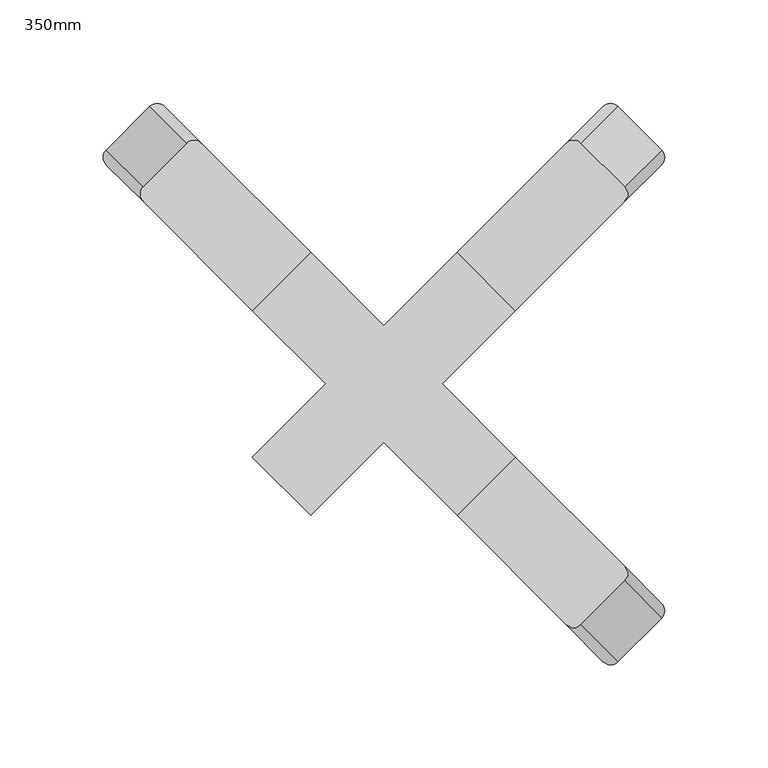
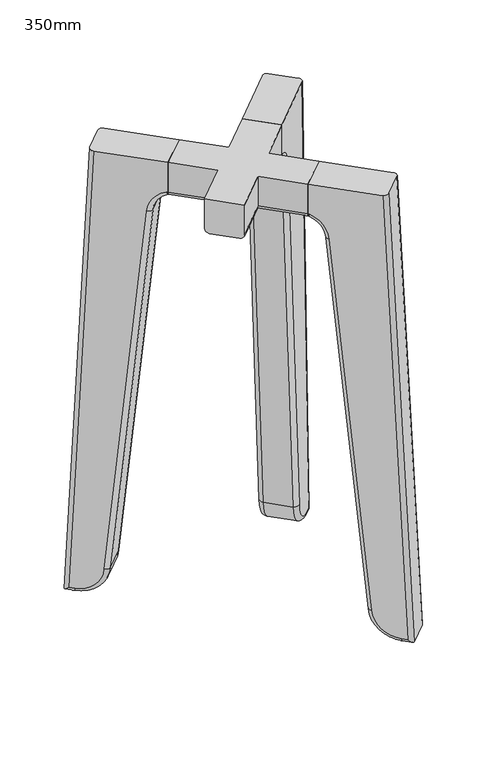
"""IFC4 building model written with IfcOpenShell, lengths in millimetres: furniture geometry, 350mm."""

from ifc_helpers import new_model, si_unit, point, frame, origin, place, context, project, spatial, polyline, circle_curve, ellipse_curve, trimmed, source, transform, mapped, element, save
from ifc_brep_helpers import plane_surface, cylinder_surface, revolved_surface, advanced_brep


def furniture_350mm_27f46fd8(model_context):
    return source(origin(), model_context, "Body", "AdvancedBrep", [
        advanced_brep(
        [(113.4241876, 134.637391, 0.0), (106.1780398, 134.462311, 5.0), (88.3992865, 116.6835577, 525.0), (95.4744847, 116.6876882, 525.0), (134.637391, 113.4241876, 0.0), (116.6876882, 95.4744847, 525.0), (134.462311, 106.1780398, 5.0), (116.6835577, 88.3992865, 525.0), (105.4357149, 126.6489183, 0.0), (101.900181, 130.1844522, 5.0), (126.6489183, 105.4357149, 0.0), (130.1844522, 101.900181, 5.0), (80.7496123, 101.9628157, 32.5114904), (80.7406645, 109.0249357, 32.8669918), (101.9628157, 80.7496123, 32.5114904), (109.0249357, 80.7406645, 32.8669918), (50.7323466, 71.9455501, 463.0819947), (50.715289, 78.9995602, 463.5725552), (71.9455501, 50.7323466, 463.0819947), (78.9995602, 50.715289, 463.5725552), (39.1374255, 60.3506289, 484.9318625), (36.8111154, 65.0953866, 489.6303256), (60.3506289, 39.1374255, 484.9318625), (65.0953866, 36.8111154, 489.6303256), (39.0050506, 60.2182541, 485.0), (35.4695167, 63.753788, 490.3208889), (60.2182541, 39.0050506, 485.0), (63.753788, 35.4695167, 490.3208889), (35.4695167, 63.753788, 525.0), (63.753788, 35.4695167, 525.0)],
        [
            (0, 1, ellipse_curve(frame((109.7135737, 130.9267771, 5.0), z_axis=(0.48777673870193794, 0.48777673870416705, 0.723980459929982), x_axis=(-0.5119314926618754, -0.5119314926642161, 0.689820479283974)), 7.2482626, 5.0)),
            (1, 2),
            (2, 3, ellipse_curve(frame((91.9348204, 113.1480238, 525.0), z_axis=(0.0, 0.0, -1.0), x_axis=(-0.7071067811849228, -0.7071067811881723, 0.0)), 5.0058413, 5.0)),
            (3, 0),
            (4, 0),
            (3, 5),
            (5, 4),
            (6, 4, ellipse_curve(frame((130.9267771, 109.7135737, 5.0), z_axis=(0.48777673870193794, 0.48777673870416705, 0.723980459929982), x_axis=(-0.5119314926618754, -0.5119314926642161, 0.689820479283974)), 7.2482626, 5.0)),
            (5, 7, ellipse_curve(frame((113.1480238, 91.9348204, 525.0), z_axis=(0.0, 0.0, -1.0), x_axis=(-0.7071067811849228, -0.7071067811881723, 0.0)), 5.0058413, 5.0)),
            (7, 6),
            (0, 8),
            (8, 9, circle_curve(frame((105.4357149, 126.6489183, 5.0), z_axis=(0.7071067811849314, 0.7071067811881636, 3.4342632348790227e-12), x_axis=(-2.4282659216723354e-12, -2.428515721852876e-12, 1.0)), 5.0)),
            (9, 1),
            (4, 10),
            (10, 8),
            (6, 11),
            (11, 10, circle_curve(frame((126.6489183, 105.4357149, 5.0), z_axis=(0.7071067811849314, 0.7071067811881636, 3.4342632348790227e-12), x_axis=(-2.4282659216723354e-12, -2.428515721852876e-12, 1.0)), 5.0)),
            (8, 12, circle_curve(frame((105.4357149, 126.6489183, 35.0), z_axis=(-0.7071067811881637, 0.7071067811849315, 0.0), x_axis=(0.0, 0.0, -1.0)), 35.0)),
            (12, 13, circle_curve(frame((84.2761984, 105.4894018, 32.8669918), z_axis=(0.05027548557641946, 0.05027548557664865, -0.9974691730074104), x_axis=(0.7053172162564657, 0.7053172162596895, 0.07110027355722737)), 5.0)),
            (13, 9, circle_curve(frame((101.900181, 130.1844522, 35.0), z_axis=(0.7071067811881637, -0.7071067811849315, 0.0), x_axis=(0.0, 0.0, -1.0)), 30.0)),
            (10, 14, circle_curve(frame((126.6489183, 105.4357149, 35.0), z_axis=(-0.7071067811881637, 0.7071067811849315, 0.0), x_axis=(0.0, 0.0, -1.0)), 35.0)),
            (14, 12),
            (11, 15, circle_curve(frame((130.1844522, 101.900181, 35.0), z_axis=(-0.7071067811881637, 0.7071067811849315, 0.0), x_axis=(0.0, 0.0, -1.0)), 30.0)),
            (15, 14, circle_curve(frame((105.4894018, 84.2761984, 32.8669918), z_axis=(0.050275485576500425, 0.05027548557672962, -0.9974691730074023), x_axis=(0.7053172162564599, 0.7053172162596838, 0.07110027355734187)), 5.0)),
            (12, 16),
            (16, 17, circle_curve(frame((54.2508229, 75.4640263, 463.5725552), z_axis=(0.0693757329310603, 0.06937573293137685, -0.9951753691488312), x_axis=(0.7036952519933561, 0.7036952519965726, 0.09811210241090307)), 5.0)),
            (17, 13),
            (14, 18),
            (18, 16),
            (15, 19),
            (19, 18, circle_curve(frame((75.4640263, 54.2508229, 463.5725552), z_axis=(0.0693757329310603, 0.06937573293137685, -0.9951753691488312), x_axis=(0.7036952519933561, 0.7036952519965726, 0.09811210241090307)), 5.0)),
            (16, 20, circle_curve(frame((33.0913064, 54.3045098, 461.439547), z_axis=(0.7071067811881637, -0.7071067811849315, 0.0), x_axis=(0.7053172162564992, 0.7053172162597233, 0.07110027355655939)), 25.0)),
            (20, 21, circle_curve(frame((40.3466493, 61.5598527, 489.6303256), z_axis=(0.664463024386977, 0.6644630243900136, -0.3420201433263659), x_axis=(0.2418447626479156, 0.24184476264902072, 0.9396926207856547)), 5.0)),
            (21, 17, circle_curve(frame((29.5557725, 57.8400437, 461.439547), z_axis=(-0.7071067811881637, 0.7071067811849315, 0.0), x_axis=(0.7053172162564992, 0.7053172162597233, 0.07110027355655939)), 30.0)),
            (18, 22, circle_curve(frame((54.3045098, 33.0913064, 461.439547), z_axis=(0.7071067811881637, -0.7071067811849315, 0.0), x_axis=(0.7053172162564992, 0.7053172162597233, 0.07110027355655939)), 25.0)),
            (22, 20),
            (19, 23, circle_curve(frame((57.8400437, 29.5557725, 461.439547), z_axis=(0.7071067811881637, -0.7071067811849315, 0.0), x_axis=(0.7053172162564992, 0.7053172162597233, 0.07110027355655939)), 30.0)),
            (23, 22, circle_curve(frame((61.5598527, 40.3466493, 489.6303256), z_axis=(0.6644630243869767, 0.6644630243900135, -0.342020143326367), x_axis=(0.2418447626479164, 0.24184476264902152, 0.9396926207856544)), 5.0)),
            (20, 24),
            (24, 25, ellipse_curve(frame((39.0050506, 60.2182541, 490.3208889), z_axis=(0.7071067811849312, 0.707106781188164, 0.0), x_axis=(0.0, 0.0, -0.9999999999999999)), 5.3208889, 5.0)),
            (25, 21),
            (22, 26),
            (26, 24),
            (23, 27),
            (27, 26, ellipse_curve(frame((60.2182541, 39.0050506, 490.3208889), z_axis=(0.7071067811849312, 0.707106781188164, 0.0), x_axis=(0.0, 0.0, -0.9999999999999999)), 5.3208889, 5.0)),
            (2, 28),
            (28, 29),
            (29, 7),
            (27, 29),
            (28, 25),
        ],
        [
            cylinder_surface(frame((91.9348204, 113.1480238, 525.0), z_axis=(-0.034150013832616455, -0.03415001383277339, 0.9988330957224303), x_axis=(-0.7062816552572676, -0.7062816552604971, -0.04829541271742596)), 5.0),
            plane_surface(frame((116.6794321, 95.4662287, 525.2414771), z_axis=(0.7062816552572677, 0.7062816552604969, 0.048295412717426274), x_axis=(0.0341500138326171, 0.034150013832773184, -0.9988330957224302))),
            cylinder_surface(frame((113.1480238, 91.9348204, 525.0), z_axis=(-0.034150013832616455, -0.03415001383277339, 0.9988330957224303), x_axis=(-0.7062816552572676, -0.7062816552604971, -0.04829541271742596)), 5.0),
            cylinder_surface(frame((109.7135737, 130.9267771, 5.0), z_axis=(0.7071067811849314, 0.7071067811881636, 3.4342632348790227e-12), x_axis=(-2.4282659216723354e-12, -2.428515721852876e-12, 1.0)), 5.0),
            plane_surface(frame((134.637391, 113.4241876, 0.0), z_axis=(2.428771650701554e-12, 2.428393178197119e-12, -1.0), x_axis=(-0.7071067811849309, -0.7071067811881643, -3.4345341878550478e-12))),
            cylinder_surface(frame((130.9267771, 109.7135737, 5.0), z_axis=(0.7071067811849314, 0.7071067811881636, 3.4342632348790227e-12), x_axis=(-2.4282659216723354e-12, -2.428515721852876e-12, 1.0)), 5.0),
            revolved_surface(trimmed(ellipse_curve(frame((105.4357149, 126.6489183, 5.0), z_axis=(0.7071067811849319, 0.7071067811881634, 0.0), x_axis=(0.0, 0.0, 1.0)), 5.0, 5.0), [point((105.4357149, 126.6489183, 0.0))], [point((101.900181, 130.1844522, 5.0))], True, "CARTESIAN"), (116.0423166, 116.0423166, 35.0), (-0.7071067811881637, 0.7071067811849315, 0.0)),
            cylinder_surface(frame((116.0423166, 116.0423166, 35.0), z_axis=(-0.7071067811881637, 0.7071067811849315, 0.0), x_axis=(0.0, 0.0, -1.0)), 35.0),
            revolved_surface(trimmed(ellipse_curve(frame((126.6489183, 105.4357149, 5.0), z_axis=(0.7071067811849319, 0.7071067811881634, 0.0), x_axis=(0.0, 0.0, 1.0)), 5.0, 5.0), [point((130.1844522, 101.900181, 5.0))], [point((126.6489183, 105.4357149, 0.0))], True, "CARTESIAN"), (116.0423166, 116.0423166, 35.0), (-0.7071067811881637, 0.7071067811849315, 0.0)),
            cylinder_surface(frame((84.2761984, 105.4894018, 32.8669918), z_axis=(0.06937573293106031, 0.06937573293137686, -0.9951753691488314), x_axis=(0.7036952519933561, 0.7036952519965726, 0.09811210241090307)), 5.0),
            plane_surface(frame((101.9615194, 80.748316, 32.5113597), z_axis=(-0.7036952519933558, -0.7036952519965729, -0.09811210241090326), x_axis=(-0.06937573293106016, -0.06937573293137725, 0.9951753691488312))),
            cylinder_surface(frame((105.4894018, 84.2761984, 32.8669918), z_axis=(0.06937573293106031, 0.06937573293137686, -0.9951753691488314), x_axis=(0.7036952519933561, 0.7036952519965726, 0.09811210241090307)), 5.0),
            revolved_surface(trimmed(ellipse_curve(frame((54.2508229, 75.4640263, 463.5725552), z_axis=(0.050275485575946986, 0.050275485576176226, -0.9974691730074583), x_axis=(0.7053172162564995, 0.7053172162597231, 0.07110027355655923)), 5.0, 5.0), [point((50.7242368, 71.9374402, 463.2170538))], [point((50.715289, 78.9995602, 463.5725552))], True, "CARTESIAN"), (43.6979081, 43.6979081, 461.439547), (0.7071067811881637, -0.7071067811849315, 0.0)),
            revolved_surface(polyline([(71.93744025647705, 50.724236756477, 463.217053838914), (50.724236756428546, 71.93744025642853, 463.217053838914)]), (43.6979081, 43.6979081, 461.439547), (0.7071067811881637, -0.7071067811849315, 0.0)),
            revolved_surface(trimmed(ellipse_curve(frame((75.4640263, 54.2508229, 463.5725552), z_axis=(0.050275485575946986, 0.050275485576176226, -0.9974691730074583), x_axis=(0.7053172162564995, 0.7053172162597231, 0.07110027355655923)), 5.0, 5.0), [point((78.9995602, 50.715289, 463.5725552))], [point((71.9374402, 50.7242368, 463.2170538))], True, "CARTESIAN"), (43.6979081, 43.6979081, 461.439547), (0.7071067811881637, -0.7071067811849315, 0.0)),
            cylinder_surface(frame((40.3466493, 61.5598527, 489.6303256), z_axis=(0.6644630243855146, 0.6644630243885558, -0.3420201433320392), x_axis=(0.2418447626519274, 0.24184476265303229, 0.9396926207835897)), 5.0),
            plane_surface(frame((60.3506289, 39.1374255, 484.9318625), z_axis=(-0.24184476265192642, -0.24184476265303276, -0.9396926207835901), x_axis=(-0.6644630243855123, -0.6644630243885584, 0.3420201433320388))),
            cylinder_surface(frame((61.5598527, 40.3466493, 489.6303256), z_axis=(0.6644630243855146, 0.6644630243885558, -0.3420201433320392), x_axis=(0.2418447626519274, 0.24184476265303229, 0.9396926207835897)), 5.0),
            plane_surface(frame((92.6419272, 120.9261984, 525.0), z_axis=(0.0, 0.0, 1.0000000000000002), x_axis=(0.7071067811881636, -0.7071067811849315, 0.0))),
            plane_surface(frame((35.4695167, 63.753788, 525.0), z_axis=(-0.7071067811849312, -0.707106781188164, 0.0), x_axis=(0.707106781188164, -0.7071067811849312, 0.0))),
            plane_surface(frame((106.1780398, 134.462311, 5.0), z_axis=(-0.7071067811881637, 0.7071067811849315, 0.0), x_axis=(0.034150013832616885, 0.03415001383277299, -0.9988330957224303))),
            plane_surface(frame((134.462311, 106.1780398, 5.0), z_axis=(0.7071067811881637, -0.7071067811849315, 0.0), x_axis=(-0.034150013832616885, -0.03415001383277299, 0.9988330957224303))),
        ],
        [
            (0, [[1, 2, 3, 4]]),
            (1, [[5, -4, 6, 7]]),
            (2, [[8, -7, 9, 10]]),
            (3, [[-1, 11, 12, 13]]),
            (4, [[-5, 14, 15, -11]]),
            (5, [[-8, 16, 17, -14]]),
            (6, [[-12, 18, 19, 20]]),
            (7, [[-15, 21, 22, -18]]),
            (8, [[-17, 23, 24, -21]]),
            (9, [[-19, 25, 26, 27]]),
            (10, [[-22, 28, 29, -25]]),
            (11, [[-24, 30, 31, -28]]),
            (12, [[-26, 32, 33, 34]]),
            (13, [[-29, 35, 36, -32]]),
            (14, [[-31, 37, 38, -35]]),
            (15, [[-33, 39, 40, 41]]),
            (16, [[-36, 42, 43, -39]]),
            (17, [[-38, 44, 45, -42]]),
            (18, [[-3, 46, 47, 48, -9, -6]]),
            (19, [[-40, -43, -45, 49, -47, 50]]),
            (20, [[-50, -46, -2, -13, -20, -27, -34, -41]]),
            (21, [[-48, -49, -44, -37, -30, -23, -16, -10]]),
        ],
    ),
        advanced_brep(
        [(-106.1780398, 134.462311, 5.0), (-113.4241876, 134.637391, 0.0), (-95.4744847, 116.6876882, 525.0), (-88.3992865, 116.6835577, 525.0), (-134.637391, 113.4241876, 0.0), (-116.6876882, 95.4744847, 525.0), (-134.462311, 106.1780398, 5.0), (-116.6835577, 88.3992865, 525.0), (-101.900181, 130.1844522, 5.0), (-105.4357149, 126.6489183, 0.0), (-126.6489183, 105.4357149, 0.0), (-130.1844522, 101.900181, 5.0), (-80.7406645, 109.0249357, 32.8669918), (-80.7496123, 101.9628157, 32.5114904), (-101.9628157, 80.7496123, 32.5114904), (-109.0249357, 80.7406645, 32.8669918), (-50.715289, 78.9995602, 463.5725552), (-50.7323466, 71.9455501, 463.0819947), (-71.9455501, 50.7323466, 463.0819947), (-78.9995602, 50.715289, 463.5725552), (-36.8111154, 65.0953866, 489.6303256), (-39.1374255, 60.3506289, 484.9318625), (-60.3506289, 39.1374255, 484.9318625), (-65.0953866, 36.8111154, 489.6303256), (-35.4695167, 63.753788, 490.3208889), (-39.0050506, 60.2182541, 485.0), (-60.2182541, 39.0050506, 485.0), (-63.753788, 35.4695167, 490.3208889), (-63.753788, 35.4695167, 525.0), (-35.4695167, 63.753788, 525.0)],
        [
            (0, 1, ellipse_curve(frame((-109.7135737, 130.9267771, 5.0), z_axis=(-0.4877767387018163, 0.48777673870373967, 0.7239804599303519), x_axis=(0.5119314926623011, -0.5119314926643138, 0.6898204792835859)), 7.2482626, 5.0)),
            (1, 2),
            (2, 3, ellipse_curve(frame((-91.9348204, 113.1480238, 525.0), z_axis=(0.0, 0.0, -1.0), x_axis=(0.7071067811851974, -0.7071067811878977, 0.0)), 5.0058413, 5.0)),
            (3, 0),
            (1, 4),
            (4, 5),
            (5, 2),
            (4, 6, ellipse_curve(frame((-130.9267771, 109.7135737, 5.0), z_axis=(-0.4877767387018163, 0.48777673870373967, 0.7239804599303519), x_axis=(0.5119314926623011, -0.5119314926643138, 0.6898204792835859)), 7.2482626, 5.0)),
            (6, 7),
            (7, 5, ellipse_curve(frame((-113.1480238, 91.9348204, 525.0), z_axis=(0.0, 0.0, -1.0), x_axis=(0.7071067811851974, -0.7071067811878977, 0.0)), 5.0058413, 5.0)),
            (0, 8),
            (8, 9, circle_curve(frame((-105.4357149, 126.6489183, 5.0), z_axis=(-0.7071067811851556, 0.7071067811879396, 3.859645440786856e-12), x_axis=(2.729295955905542e-12, -2.729066972406713e-12, 1.0)), 5.0)),
            (9, 1),
            (9, 10),
            (10, 4),
            (10, 11, circle_curve(frame((-126.6489183, 105.4357149, 5.0), z_axis=(-0.7071067811851556, 0.7071067811879396, 3.859645440786856e-12), x_axis=(2.729295955905542e-12, -2.729066972406713e-12, 1.0)), 5.0)),
            (11, 6),
            (8, 12, circle_curve(frame((-101.900181, 130.1844522, 35.0), z_axis=(-0.7071067811879397, -0.7071067811851555, 0.0), x_axis=(0.0, 0.0, -1.0)), 30.0)),
            (12, 13, circle_curve(frame((-84.2761984, 105.4894018, 32.8669918), z_axis=(-0.05027548557593861, 0.05027548557614041, -0.9974691730074604), x_axis=(-0.7053172162567242, 0.7053172162595015, 0.07110027355652798)), 5.0)),
            (13, 9, circle_curve(frame((-105.4357149, 126.6489183, 35.0), z_axis=(0.7071067811879397, 0.7071067811851555, 0.0), x_axis=(0.0, 0.0, -1.0)), 35.0)),
            (13, 14),
            (14, 10, circle_curve(frame((-126.6489183, 105.4357149, 35.0), z_axis=(0.7071067811879397, 0.7071067811851555, 0.0), x_axis=(0.0, 0.0, -1.0)), 35.0)),
            (14, 15, circle_curve(frame((-105.4894018, 84.2761984, 32.8669918), z_axis=(-0.05027548557594409, 0.0502754855761459, -0.9974691730074599), x_axis=(-0.7053172162567237, 0.7053172162595012, 0.07110027355653574)), 5.0)),
            (15, 11, circle_curve(frame((-130.1844522, 101.900181, 35.0), z_axis=(0.7071067811879397, 0.7071067811851555, 0.0), x_axis=(0.0, 0.0, -1.0)), 30.0)),
            (12, 16),
            (16, 17, circle_curve(frame((-54.2508229, 75.4640263, 463.5725552), z_axis=(-0.06937573293110982, 0.06937573293138653, -0.9951753691488272), x_axis=(-0.703695251993576, 0.7036952519963469, 0.09811210241094492)), 5.0)),
            (17, 13),
            (17, 18),
            (18, 14),
            (18, 19, circle_curve(frame((-75.4640263, 54.2508229, 463.5725552), z_axis=(-0.06937573293110982, 0.06937573293138653, -0.9951753691488272), x_axis=(-0.703695251993576, 0.7036952519963469, 0.09811210241094492)), 5.0)),
            (19, 15),
            (16, 20, circle_curve(frame((-29.5557725, 57.8400437, 461.439547), z_axis=(0.7071067811879397, 0.7071067811851555, 0.0), x_axis=(-0.7053172162567224, 0.7053172162594996, 0.07110027355656426)), 30.0)),
            (20, 21, circle_curve(frame((-40.3466493, 61.5598527, 489.6303256), z_axis=(-0.6644630243871417, 0.6644630243897617, -0.3420201433265352), x_axis=(-0.2418447626481115, 0.24184476264906438, 0.939692620785593)), 5.0)),
            (21, 17, circle_curve(frame((-33.0913064, 54.3045098, 461.439547), z_axis=(-0.7071067811879397, -0.7071067811851555, 0.0), x_axis=(-0.7053172162567224, 0.7053172162594996, 0.07110027355656426)), 25.0)),
            (21, 22),
            (22, 18, circle_curve(frame((-54.3045098, 33.0913064, 461.439547), z_axis=(-0.7071067811879397, -0.7071067811851555, 0.0), x_axis=(-0.7053172162567224, 0.7053172162594996, 0.07110027355656426)), 25.0)),
            (22, 23, circle_curve(frame((-61.5598527, 40.3466493, 489.6303256), z_axis=(-0.6644630243871331, 0.6644630243897531, -0.34202014332656855), x_axis=(-0.24184476264813512, 0.24184476264908797, 0.9396926207855808)), 5.0)),
            (23, 19, circle_curve(frame((-57.8400437, 29.5557725, 461.439547), z_axis=(-0.7071067811879397, -0.7071067811851555, 0.0), x_axis=(-0.7053172162567224, 0.7053172162594996, 0.07110027355656426)), 30.0)),
            (20, 24),
            (24, 25, ellipse_curve(frame((-39.0050506, 60.2182541, 490.3208889), z_axis=(-0.7071067811851554, 0.7071067811879397, 0.0), x_axis=(0.0, 0.0, -1.0)), 5.3208889, 5.0)),
            (25, 21),
            (25, 26),
            (26, 22),
            (26, 27, ellipse_curve(frame((-60.2182541, 39.0050506, 490.3208889), z_axis=(-0.7071067811851554, 0.7071067811879397, 0.0), x_axis=(0.0, 0.0, -1.0)), 5.3208889, 5.0)),
            (27, 23),
            (7, 28),
            (28, 29),
            (29, 3),
            (24, 29),
            (28, 27),
        ],
        [
            cylinder_surface(frame((-91.9348204, 113.1480238, 525.0), z_axis=(0.03415001383308673, -0.03415001383321714, 0.9988330957223991), x_axis=(0.7062816552574721, -0.7062816552602487, -0.04829541271807228)), 5.0),
            plane_surface(frame((-95.4662287, 116.6794321, 525.2414771), z_axis=(-0.706281655257472, 0.7062816552602488, 0.048295412718072125), x_axis=(-0.034150013833084615, 0.03415001383321905, -0.9988330957223991))),
            cylinder_surface(frame((-113.1480238, 91.9348204, 525.0), z_axis=(0.03415001383308673, -0.03415001383321714, 0.9988330957223991), x_axis=(0.7062816552574721, -0.7062816552602487, -0.04829541271807228)), 5.0),
            cylinder_surface(frame((-109.7135737, 130.9267771, 5.0), z_axis=(-0.7071067811851555, 0.7071067811879395, 3.859645440786855e-12), x_axis=(2.729295955905542e-12, -2.729066972406713e-12, 1.0)), 5.0),
            plane_surface(frame((-113.4241876, 134.637391, 0.0), z_axis=(-2.7289656119513524e-12, 2.7291893053388103e-12, -1.0), x_axis=(0.7071067811851569, -0.7071067811879381, -3.859498354782574e-12))),
            cylinder_surface(frame((-130.9267771, 109.7135737, 5.0), z_axis=(-0.7071067811851555, 0.7071067811879395, 3.859645440786855e-12), x_axis=(2.729295955905542e-12, -2.729066972406713e-12, 1.0)), 5.0),
            revolved_surface(trimmed(ellipse_curve(frame((-105.4357149, 126.6489183, 5.0), z_axis=(-0.7071067811851536, 0.7071067811879416, 0.0), x_axis=(0.0, 0.0, 1.0)), 5.0, 5.0), [point((-101.900181, 130.1844522, 5.0))], [point((-105.4357149, 126.6489183, 0.0))], True, "CARTESIAN"), (-116.0423166, 116.0423166, 35.0), (-0.7071067811879397, -0.7071067811851555, 0.0)),
            cylinder_surface(frame((-116.0423166, 116.0423166, 35.0), z_axis=(-0.7071067811879397, -0.7071067811851555, 0.0), x_axis=(0.0, 0.0, -1.0)), 35.0),
            revolved_surface(trimmed(ellipse_curve(frame((-126.6489183, 105.4357149, 5.0), z_axis=(-0.7071067811851536, 0.7071067811879416, 0.0), x_axis=(0.0, 0.0, 1.0)), 5.0, 5.0), [point((-126.6489183, 105.4357149, 0.0))], [point((-130.1844522, 101.900181, 5.0))], True, "CARTESIAN"), (-116.0423166, 116.0423166, 35.0), (-0.7071067811879397, -0.7071067811851555, 0.0)),
            cylinder_surface(frame((-84.2761984, 105.4894018, 32.8669918), z_axis=(-0.06937573293110982, 0.06937573293138653, -0.9951753691488272), x_axis=(-0.703695251993576, 0.7036952519963469, 0.09811210241094492)), 5.0),
            plane_surface(frame((-80.748316, 101.9615194, 32.5113597), z_axis=(0.7036952519935761, -0.7036952519963465, -0.09811210241094477), x_axis=(0.06937573293111148, -0.06937573293138466, 0.9951753691488271))),
            cylinder_surface(frame((-105.4894018, 84.2761984, 32.8669918), z_axis=(-0.06937573293110982, 0.06937573293138653, -0.9951753691488272), x_axis=(-0.703695251993576, 0.7036952519963469, 0.09811210241094492)), 5.0),
            revolved_surface(trimmed(ellipse_curve(frame((-54.2508229, 75.4640263, 463.5725552), z_axis=(-0.050275485575964486, 0.05027548557616601, -0.9974691730074579), x_axis=(-0.7053172162567222, 0.7053172162594998, 0.07110027355656438)), 5.0, 5.0), [point((-50.715289, 78.9995602, 463.5725552))], [point((-50.7242368, 71.9374402, 463.2170538))], True, "CARTESIAN"), (-43.6979081, 43.6979081, 461.439547), (0.7071067811879397, 0.7071067811851555, 0.0)),
            revolved_surface(polyline([(-50.72423675643191, 71.93744025643188, 463.2170538389141), (-71.93744025647368, 50.72423675647363, 463.2170538389141)]), (-43.6979081, 43.6979081, 461.439547), (0.7071067811879397, 0.7071067811851555, 0.0)),
            revolved_surface(trimmed(ellipse_curve(frame((-75.4640263, 54.2508229, 463.5725552), z_axis=(-0.050275485575964486, 0.05027548557616601, -0.9974691730074579), x_axis=(-0.7053172162567222, 0.7053172162594998, 0.07110027355656438)), 5.0, 5.0), [point((-71.9374402, 50.7242368, 463.2170538))], [point((-78.9995602, 50.715289, 463.5725552))], True, "CARTESIAN"), (-43.6979081, 43.6979081, 461.439547), (0.7071067811879397, 0.7071067811851555, 0.0)),
            cylinder_surface(frame((-40.3466493, 61.5598527, 489.6303256), z_axis=(-0.664463024385733, 0.6644630243883551, -0.3420201433320048), x_axis=(-0.24184476265197918, 0.24184476265293192, 0.9396926207836024)), 5.0),
            plane_surface(frame((-39.1374255, 60.3506289, 484.9318625), z_axis=(0.24184476265196403, -0.24184476265291582, -0.9396926207836105), x_axis=(0.6644630243857383, -0.6644630243883612, 0.3420201433319827))),
            cylinder_surface(frame((-61.5598527, 40.3466493, 489.6303256), z_axis=(-0.664463024385733, 0.6644630243883551, -0.3420201433320048), x_axis=(-0.24184476265197918, 0.24184476265293192, 0.9396926207836024)), 5.0),
            plane_surface(frame((-120.9261984, 92.6419272, 525.0), z_axis=(0.0, 0.0, 1.0), x_axis=(0.7071067811879399, 0.7071067811851552, 0.0))),
            plane_surface(frame((-63.753788, 35.4695167, 525.0), z_axis=(0.7071067811851554, -0.7071067811879397, 0.0), x_axis=(0.7071067811879397, 0.7071067811851554, 0.0))),
            plane_surface(frame((-78.9995602, 50.715289, 463.5725552), z_axis=(-0.7071067811879397, -0.7071067811851554, 0.0), x_axis=(0.06937573293109997, -0.06937573293137314, 0.9951753691488288))),
            plane_surface(frame((-50.715289, 78.9995602, 463.5725552), z_axis=(0.7071067811879397, 0.7071067811851554, 0.0), x_axis=(-0.06937573293109997, 0.06937573293137314, -0.9951753691488288))),
        ],
        [
            (0, [[1, 2, 3, 4]]),
            (1, [[5, 6, 7, -2]]),
            (2, [[8, 9, 10, -6]]),
            (3, [[-1, 11, 12, 13]]),
            (4, [[-5, -13, 14, 15]]),
            (5, [[-8, -15, 16, 17]]),
            (6, [[-12, 18, 19, 20]]),
            (7, [[-14, -20, 21, 22]]),
            (8, [[-16, -22, 23, 24]]),
            (9, [[-19, 25, 26, 27]]),
            (10, [[-21, -27, 28, 29]]),
            (11, [[-23, -29, 30, 31]]),
            (12, [[-26, 32, 33, 34]]),
            (13, [[-28, -34, 35, 36]]),
            (14, [[-30, -36, 37, 38]]),
            (15, [[-33, 39, 40, 41]]),
            (16, [[-35, -41, 42, 43]]),
            (17, [[-37, -43, 44, 45]]),
            (18, [[-3, -7, -10, 46, 47, 48]]),
            (19, [[-40, 49, -47, 50, -44, -42]]),
            (20, [[-50, -46, -9, -17, -24, -31, -38, -45]]),
            (21, [[-48, -49, -39, -32, -25, -18, -11, -4]]),
        ],
    ),
        advanced_brep(
        [(-28.2842712, 0.0, 525.0), (-63.753788, -35.4695167, 525.0), (-35.4695167, -63.753788, 525.0), (0.0, -28.2842712, 525.0), (35.4695167, -63.753788, 525.0), (63.753788, -35.4695167, 525.0), (28.2842712, 0.0, 525.0), (63.753788, 35.4695167, 525.0), (35.4695167, 63.753788, 525.0), (0.0, 28.2842712, 525.0), (-35.4695167, 63.753788, 525.0), (-63.753788, 35.4695167, 525.0), (39.0050506, -60.2182541, 485.0), (0.0, -21.2132034, 485.0), (-39.0050506, -60.2182541, 485.0), (-60.2182541, -39.0050506, 485.0), (-21.2132034, 0.0, 485.0), (-60.2182541, 39.0050506, 485.0), (-39.0050506, 60.2182541, 485.0), (0.0, 21.2132034, 485.0), (39.0050506, 60.2182541, 485.0), (60.2182541, 39.0050506, 485.0), (21.2132034, 0.0, 485.0), (60.2182541, -39.0050506, 485.0), (-28.2842712, 0.0, 490.0), (-63.753788, -35.4695167, 490.0), (-35.4695167, -63.753788, 490.0), (0.0, -28.2842712, 490.0), (35.4695167, -63.753788, 490.0), (63.753788, -35.4695167, 490.0), (28.2842712, 0.0, 490.0), (63.753788, 35.4695167, 490.0), (35.4695167, 63.753788, 490.0), (0.0, 28.2842712, 490.0), (-35.4695167, 63.753788, 490.0), (-63.753788, 35.4695167, 490.0)],
        [
            (0, 1),
            (1, 2),
            (2, 3),
            (3, 4),
            (4, 5),
            (5, 6),
            (6, 7),
            (7, 8),
            (8, 9),
            (9, 10),
            (10, 11),
            (11, 0),
            (12, 13),
            (13, 14),
            (14, 15),
            (15, 16),
            (16, 17),
            (17, 18),
            (18, 19),
            (19, 20),
            (20, 21),
            (21, 22),
            (22, 23),
            (23, 12),
            (0, 24),
            (24, 25),
            (25, 1),
            (25, 15, circle_curve(frame((-60.2182541, -39.0050506, 490.0), z_axis=(-0.7071067811862515, -0.7071067811868437, 0.0), x_axis=(0.7071067811868437, -0.7071067811862515, 0.0)), 5.0)),
            (14, 26, circle_curve(frame((-39.0050506, -60.2182541, 490.0), z_axis=(-0.7071067811864739, -0.7071067811866213, 0.0), x_axis=(-0.7071067811866213, 0.7071067811864739, 0.0)), 5.0)),
            (26, 2),
            (26, 27),
            (27, 3),
            (27, 28),
            (28, 4),
            (28, 12, circle_curve(frame((39.0050506, -60.2182541, 490.0), z_axis=(0.7071067811867421, -0.7071067811863531, 0.0), x_axis=(0.7071067811863531, 0.7071067811867421, 0.0)), 5.0)),
            (23, 29, circle_curve(frame((60.2182541, -39.0050506, 490.0), z_axis=(0.7071067811863122, -0.707106781186783, 0.0), x_axis=(-0.707106781186783, -0.7071067811863122, 0.0)), 5.0)),
            (29, 5),
            (29, 30),
            (30, 6),
            (30, 31),
            (31, 7),
            (31, 21, circle_curve(frame((60.2182541, 39.0050506, 490.0), z_axis=(0.7071067811864724, 0.7071067811866228, 0.0), x_axis=(-0.7071067811866228, 0.7071067811864724, 0.0)), 5.0)),
            (20, 32, circle_curve(frame((39.0050506, 60.2182541, 490.0), z_axis=(0.7071067811862465, 0.7071067811868487, 0.0), x_axis=(0.7071067811868487, -0.7071067811862465, 0.0)), 5.0)),
            (32, 8),
            (32, 33),
            (33, 9),
            (33, 34),
            (34, 10),
            (34, 18, circle_curve(frame((-39.0050506, 60.2182541, 490.0), z_axis=(-0.7071067811863161, 0.707106781186779, 0.0), x_axis=(-0.7071067811867789, -0.707106781186316, 0.0)), 5.0)),
            (17, 35, circle_curve(frame((-60.2182541, 39.0050506, 490.0), z_axis=(-0.7071067811867379, 0.7071067811863572, 0.0), x_axis=(0.7071067811863572, 0.7071067811867379, 0.0)), 5.0)),
            (35, 11),
            (35, 24),
            (27, 13, ellipse_curve(frame((0.0, -21.2132034, 490.0), z_axis=(1.0, 0.0, 0.0), x_axis=(0.0, 1.0, 0.0)), 7.0710678, 5.0)),
            (30, 22, ellipse_curve(frame((21.2132034, 0.0, 490.0), z_axis=(0.0, 1.0, 0.0), x_axis=(-1.0, 0.0, 0.0)), 7.0710678, 5.0)),
            (33, 19, ellipse_curve(frame((0.0, 21.2132034, 490.0), z_axis=(-1.0, 0.0, 0.0), x_axis=(0.0, -1.0, 0.0)), 7.0710678, 5.0)),
            (24, 16, ellipse_curve(frame((-21.2132034, 0.0, 490.0), z_axis=(0.0, -1.0, 0.0), x_axis=(1.0, 0.0, 0.0)), 7.0710678, 5.0)),
        ],
        [
            plane_surface(frame((-28.2842712, 0.0, 525.0), z_axis=(0.0, 0.0, 1.0), x_axis=(-0.7071067811869484, -0.7071067811861467, 0.0))),
            plane_surface(frame((-28.2842712, 0.0, 485.0), z_axis=(0.0, 0.0, -1.0), x_axis=(0.7071067811869484, 0.7071067811861467, 0.0))),
            plane_surface(frame((-28.2842712, 0.0, 525.0), z_axis=(-0.7071067811861467, 0.7071067811869484, 0.0), x_axis=(0.0, 0.0, -1.0))),
            plane_surface(frame((-63.753788, -35.4695167, 525.0), z_axis=(-0.7071067811869483, -0.7071067811861468, 0.0), x_axis=(0.0, 0.0, -1.0))),
            plane_surface(frame((-35.4695167, -63.753788, 525.0), z_axis=(0.7071067811861468, -0.7071067811869483, 0.0), x_axis=(0.0, 0.0, -1.0))),
            plane_surface(frame((0.0, -28.2842712, 525.0), z_axis=(-0.7071067811869483, -0.7071067811861468, 0.0), x_axis=(0.0, 0.0, -1.0))),
            plane_surface(frame((35.4695167, -63.753788, 525.0), z_axis=(0.7071067811861469, -0.7071067811869481, 0.0), x_axis=(0.0, 0.0, -1.0))),
            plane_surface(frame((63.753788, -35.4695167, 525.0), z_axis=(0.7071067811869483, 0.7071067811861468, 0.0), x_axis=(0.0, 0.0, -1.0))),
            plane_surface(frame((28.2842712, 0.0, 525.0), z_axis=(0.7071067811861468, -0.7071067811869483, 0.0), x_axis=(0.0, 0.0, -1.0))),
            plane_surface(frame((63.753788, 35.4695167, 525.0), z_axis=(0.7071067811869481, 0.7071067811861469, 0.0), x_axis=(0.0, 0.0, -1.0))),
            plane_surface(frame((35.4695167, 63.753788, 525.0), z_axis=(-0.7071067811861467, 0.7071067811869484, 0.0), x_axis=(0.0, 0.0, -1.0))),
            plane_surface(frame((0.0, 28.2842712, 525.0), z_axis=(0.7071067811869484, 0.7071067811861467, 0.0), x_axis=(0.0, 0.0, -1.0))),
            plane_surface(frame((-35.4695167, 63.753788, 525.0), z_axis=(-0.7071067811861468, 0.7071067811869483, 0.0), x_axis=(0.0, 0.0, -1.0))),
            plane_surface(frame((-63.753788, 35.4695167, 525.0), z_axis=(-0.7071067811869483, -0.7071067811861468, 0.0), x_axis=(0.0, 0.0, -1.0))),
            cylinder_surface(frame((79.6595201, -100.8727236, 490.0), z_axis=(-0.7071067811867421, 0.7071067811863531, 0.0), x_axis=(0.7071067811863531, 0.7071067811867421, 0.0)), 5.0),
            cylinder_surface(frame((-3.5355339, -24.7487373, 490.0), z_axis=(-0.7071067811864739, -0.7071067811866213, 0.0), x_axis=(-0.7071067811866213, 0.7071067811864739, 0.0)), 5.0),
            cylinder_surface(frame((60.2182541, 39.0050506, 490.0), z_axis=(-0.7071067811864724, -0.7071067811866228, 0.0), x_axis=(-0.7071067811866228, 0.7071067811864724, 0.0)), 5.0),
            cylinder_surface(frame((24.7487373, -3.5355339, 490.0), z_axis=(0.7071067811863122, -0.707106781186783, 0.0), x_axis=(-0.707106781186783, -0.7071067811863122, 0.0)), 5.0),
            cylinder_surface(frame((-39.0050506, 60.2182541, 490.0), z_axis=(0.707106781186316, -0.7071067811867789, 0.0), x_axis=(-0.7071067811867789, -0.707106781186316, 0.0)), 5.0),
            cylinder_surface(frame((3.5355339, 24.7487373, 490.0), z_axis=(0.7071067811862465, 0.7071067811868487, 0.0), x_axis=(0.7071067811868487, -0.7071067811862465, 0.0)), 5.0),
            cylinder_surface(frame((-60.2182541, -39.0050506, 490.0), z_axis=(0.7071067811862515, 0.7071067811868437, 0.0), x_axis=(0.7071067811868437, -0.7071067811862515, 0.0)), 5.0),
            cylinder_surface(frame((-24.7487373, 3.5355339, 490.0), z_axis=(-0.7071067811867379, 0.7071067811863572, 0.0), x_axis=(0.7071067811863572, 0.7071067811867379, 0.0)), 5.0),
        ],
        [
            (0, [[1, 2, 3, 4, 5, 6, 7, 8, 9, 10, 11, 12]]),
            (1, [[13, 14, 15, 16, 17, 18, 19, 20, 21, 22, 23, 24]]),
            (2, [[-1, 25, 26, 27]]),
            (3, [[-2, -27, 28, -15, 29, 30]]),
            (4, [[-3, -30, 31, 32]]),
            (5, [[-4, -32, 33, 34]]),
            (6, [[-5, -34, 35, -24, 36, 37]]),
            (7, [[-6, -37, 38, 39]]),
            (8, [[-7, -39, 40, 41]]),
            (9, [[-8, -41, 42, -21, 43, 44]]),
            (10, [[-9, -44, 45, 46]]),
            (11, [[-10, -46, 47, 48]]),
            (12, [[-11, -48, 49, -18, 50, 51]]),
            (13, [[-12, -51, 52, -25]]),
            (14, [[53, -13, -35, -33]]),
            (15, [[-53, -31, -29, -14]]),
            (16, [[54, -22, -42, -40]]),
            (17, [[-54, -38, -36, -23]]),
            (18, [[55, -19, -49, -47]]),
            (19, [[-55, -45, -43, -20]]),
            (20, [[56, -16, -28, -26]]),
            (21, [[-56, -52, -50, -17]]),
        ],
    ),
        advanced_brep(
        [(63.753788, -35.4695167, 490.3208889), (63.753788, -35.4695167, 525.0), (116.6835577, -88.3992865, 525.0), (134.462311, -106.1780398, 5.0), (130.1844522, -101.900181, 5.0), (109.0249357, -80.7406645, 32.8669918), (78.9995602, -50.715289, 463.5725552), (65.0953866, -36.8111154, 489.6303256), (88.3992865, -116.6835577, 525.0), (35.4695167, -63.753788, 525.0), (35.4695167, -63.753788, 490.3208889), (36.8111154, -65.0953866, 489.6303256), (50.715289, -78.9995602, 463.5725552), (80.7406645, -109.0249357, 32.8669918), (101.900181, -130.1844522, 5.0), (106.1780398, -134.462311, 5.0), (113.4241876, -134.637391, 0.0), (95.4744847, -116.6876882, 525.0), (134.637391, -113.4241876, 0.0), (116.6876882, -95.4744847, 525.0), (105.4357149, -126.6489183, 0.0), (126.6489183, -105.4357149, 0.0), (80.7496123, -101.9628157, 32.5114904), (101.9628157, -80.7496123, 32.5114904), (50.7323466, -71.9455501, 463.0819947), (71.9455501, -50.7323466, 463.0819947), (39.1374255, -60.3506289, 484.9318625), (60.3506289, -39.1374255, 484.9318625), (39.0050506, -60.2182541, 485.0), (60.2182541, -39.0050506, 485.0)],
        [
            (0, 1),
            (1, 2),
            (2, 3),
            (3, 4),
            (4, 5, circle_curve(frame((130.1844522, -101.900181, 35.0), z_axis=(0.7071067811883514, 0.7071067811847438, 0.0), x_axis=(0.0, 0.0, -1.0)), 30.0)),
            (5, 6),
            (6, 7, circle_curve(frame((57.8400437, -29.5557725, 461.439547), z_axis=(-0.7071067811883514, -0.7071067811847438, 0.0), x_axis=(0.7053172162563174, -0.7053172162599157, 0.07110027355645485)), 30.0)),
            (7, 0),
            (8, 9),
            (9, 10),
            (10, 11),
            (11, 12, circle_curve(frame((29.5557725, -57.8400437, 461.439547), z_axis=(0.7071067811883514, 0.7071067811847438, 0.0), x_axis=(0.7053172162563174, -0.7053172162599157, 0.07110027355645485)), 30.0)),
            (12, 13),
            (13, 14, circle_curve(frame((101.900181, -130.1844522, 35.0), z_axis=(-0.7071067811883514, -0.7071067811847438, 0.0), x_axis=(0.0, 0.0, -1.0)), 30.0)),
            (14, 15),
            (15, 8),
            (15, 16, ellipse_curve(frame((109.7135737, -130.9267771, 5.0), z_axis=(0.48777673870150906, -0.4877767387039994, 0.723980459930384), x_axis=(-0.5119314926620251, 0.5119314926646351, 0.6898204792835522)), 7.2482626, 5.0)),
            (16, 17),
            (17, 8, ellipse_curve(frame((91.9348204, -113.1480238, 525.0), z_axis=(0.0, 0.0, -1.0), x_axis=(-0.7071067811847701, 0.7071067811883249, 0.0)), 5.0058413, 5.0)),
            (16, 18),
            (18, 19),
            (19, 17),
            (18, 3, ellipse_curve(frame((130.9267771, -109.7135737, 5.0), z_axis=(0.48777673870150906, -0.4877767387039994, 0.723980459930384), x_axis=(-0.5119314926620251, 0.5119314926646351, 0.6898204792835522)), 7.2482626, 5.0)),
            (2, 19, ellipse_curve(frame((113.1480238, -91.9348204, 525.0), z_axis=(0.0, 0.0, -1.0), x_axis=(-0.7071067811847701, 0.7071067811883249, 0.0)), 5.0058413, 5.0)),
            (14, 20, circle_curve(frame((105.4357149, -126.6489183, 5.0), z_axis=(0.7071067811847438, -0.7071067811883514, 3.9154524146151986e-12), x_axis=(-2.76884071226391e-12, 2.7684451953113872e-12, 1.0)), 5.0)),
            (20, 16),
            (20, 21),
            (21, 18),
            (21, 4, circle_curve(frame((126.6489183, -105.4357149, 5.0), z_axis=(0.7071067811847438, -0.7071067811883514, 3.9154524146151986e-12), x_axis=(-2.76884071226391e-12, 2.7684451953113872e-12, 1.0)), 5.0)),
            (13, 22, circle_curve(frame((84.2761984, -105.4894018, 32.8669918), z_axis=(0.050275485575909364, -0.050275485576168226, -0.9974691730074605), x_axis=(0.7053172162563134, -0.7053172162599123, 0.07110027355652697)), 5.0)),
            (22, 20, circle_curve(frame((105.4357149, -126.6489183, 35.0), z_axis=(-0.7071067811883514, -0.7071067811847438, 0.0), x_axis=(0.0, 0.0, -1.0)), 35.0)),
            (22, 23),
            (23, 21, circle_curve(frame((126.6489183, -105.4357149, 35.0), z_axis=(-0.7071067811883514, -0.7071067811847438, 0.0), x_axis=(0.0, 0.0, -1.0)), 35.0)),
            (23, 5, circle_curve(frame((105.4894018, -84.2761984, 32.8669918), z_axis=(0.05027548557591516, -0.05027548557617401, -0.9974691730074599), x_axis=(0.7053172162563129, -0.7053172162599118, 0.07110027355653516)), 5.0)),
            (12, 24, circle_curve(frame((54.2508229, -75.4640263, 463.5725552), z_axis=(0.0693757329309915, -0.0693757329313479, -0.995175369148838), x_axis=(0.7036952519931738, -0.7036952519967644, 0.09811210241083396)), 5.0)),
            (24, 22),
            (24, 25),
            (25, 23),
            (25, 6, circle_curve(frame((75.4640263, -54.2508229, 463.5725552), z_axis=(0.0693757329309915, -0.0693757329313479, -0.995175369148838), x_axis=(0.7036952519931738, -0.7036952519967644, 0.09811210241083396)), 5.0)),
            (11, 26, circle_curve(frame((40.3466493, -61.5598527, 489.6303256), z_axis=(0.664463024385822, -0.6644630243892145, -0.34202014333016256), x_axis=(0.24184476265053587, -0.24184476265176982, 0.9396926207842731)), 5.0)),
            (26, 24, circle_curve(frame((33.0913064, -54.3045098, 461.439547), z_axis=(0.7071067811883514, 0.7071067811847438, 0.0), x_axis=(0.7053172162563174, -0.7053172162599157, 0.07110027355645485)), 25.0)),
            (26, 27),
            (27, 25, circle_curve(frame((54.3045098, -33.0913064, 461.439547), z_axis=(0.7071067811883514, 0.7071067811847438, 0.0), x_axis=(0.7053172162563174, -0.7053172162599157, 0.07110027355645485)), 25.0)),
            (27, 7, circle_curve(frame((61.5598527, -40.3466493, 489.6303256), z_axis=(0.6644630243858227, -0.6644630243892151, -0.3420201433301598), x_axis=(0.24184476265053392, -0.24184476265176788, 0.939692620784274)), 5.0)),
            (10, 28, ellipse_curve(frame((39.0050506, -60.2182541, 490.3208889), z_axis=(0.7071067811847438, -0.7071067811883512, 0.0), x_axis=(0.0, 0.0, -1.0)), 5.3208889, 5.0)),
            (28, 26),
            (28, 29),
            (29, 27),
            (29, 0, ellipse_curve(frame((60.2182541, -39.0050506, 490.3208889), z_axis=(0.7071067811847438, -0.7071067811883512, 0.0), x_axis=(0.0, 0.0, -1.0)), 5.3208889, 5.0)),
            (9, 1),
        ],
        [
            plane_surface(frame((63.753788, -35.4695167, 490.3208889), z_axis=(0.7071067811883512, 0.7071067811847438, 0.0), x_axis=(-0.6644630243870148, 0.6644630243904047, 0.3420201433255325))),
            plane_surface(frame((35.4695167, -63.753788, 490.3208889), z_axis=(-0.7071067811883512, -0.7071067811847438, 0.0), x_axis=(0.6644630243870148, -0.6644630243904047, -0.3420201433255325))),
            cylinder_surface(frame((91.9348204, -113.1480238, 525.0), z_axis=(-0.03415001383309237, 0.034150013833264055, 0.9988330957223972), x_axis=(-0.7062816552570587, 0.7062816552606592, -0.04829541271810943)), 5.0),
            plane_surface(frame((95.4662287, -116.6794321, 525.2414771), z_axis=(0.7062816552570585, -0.7062816552606594, 0.048295412718109616), x_axis=(0.03415001383309124, -0.034150013833265436, -0.9988330957223972))),
            cylinder_surface(frame((113.1480238, -91.9348204, 525.0), z_axis=(-0.03415001383309237, 0.034150013833264055, 0.9988330957223972), x_axis=(-0.7062816552570587, 0.7062816552606592, -0.04829541271810943)), 5.0),
            cylinder_surface(frame((109.7135737, -130.9267771, 5.0), z_axis=(0.7071067811847438, -0.7071067811883514, 3.9154524146151986e-12), x_axis=(-2.76884071226391e-12, 2.7684451953113872e-12, 1.0)), 5.0),
            plane_surface(frame((113.4241876, -134.637391, 0.0), z_axis=(2.7684872466836613e-12, -2.768828920135196e-12, -1.0), x_axis=(-0.7071067811847451, 0.70710678118835, -3.915473811131514e-12))),
            cylinder_surface(frame((130.9267771, -109.7135737, 5.0), z_axis=(0.7071067811847438, -0.7071067811883514, 3.9154524146151986e-12), x_axis=(-2.76884071226391e-12, 2.7684451953113872e-12, 1.0)), 5.0),
            revolved_surface(trimmed(ellipse_curve(frame((105.4357149, -126.6489183, 5.0), z_axis=(0.7071067811847426, -0.7071067811883526, 0.0), x_axis=(0.0, 0.0, 1.0)), 5.0, 5.0), [point((101.900181, -130.1844522, 5.0))], [point((105.4357149, -126.6489183, 0.0))], True, "CARTESIAN"), (116.0423166, -116.0423166, 35.0), (0.7071067811883514, 0.7071067811847438, 0.0)),
            cylinder_surface(frame((116.0423166, -116.0423166, 35.0), z_axis=(0.7071067811883514, 0.7071067811847438, 0.0), x_axis=(0.0, 0.0, -1.0)), 35.0),
            revolved_surface(trimmed(ellipse_curve(frame((126.6489183, -105.4357149, 5.0), z_axis=(0.7071067811847426, -0.7071067811883526, 0.0), x_axis=(0.0, 0.0, 1.0)), 5.0, 5.0), [point((126.6489183, -105.4357149, 0.0))], [point((130.1844522, -101.900181, 5.0))], True, "CARTESIAN"), (116.0423166, -116.0423166, 35.0), (0.7071067811883514, 0.7071067811847438, 0.0)),
            cylinder_surface(frame((84.2761984, -105.4894018, 32.8669918), z_axis=(0.06937573293099152, -0.06937573293134791, -0.9951753691488382), x_axis=(0.7036952519931738, -0.7036952519967644, 0.09811210241083396)), 5.0),
            plane_surface(frame((80.748316, -101.9615194, 32.5113597), z_axis=(-0.7036952519931743, 0.703695251996764, -0.09811210241083397), x_axis=(-0.06937573293099271, 0.06937573293134672, 0.9951753691488381))),
            cylinder_surface(frame((105.4894018, -84.2761984, 32.8669918), z_axis=(0.06937573293099152, -0.06937573293134791, -0.9951753691488382), x_axis=(0.7036952519931738, -0.7036952519967644, 0.09811210241083396)), 5.0),
            revolved_surface(trimmed(ellipse_curve(frame((54.2508229, -75.4640263, 463.5725552), z_axis=(0.05027548557585838, -0.0502754855761173, -0.9974691730074658), x_axis=(0.7053172162563173, -0.7053172162599158, 0.07110027355645492)), 5.0, 5.0), [point((50.715289, -78.9995602, 463.5725552))], [point((50.7242368, -71.9374402, 463.2170538))], True, "CARTESIAN"), (43.6979081, -43.6979081, 461.439547), (-0.7071067811883514, -0.7071067811847438, 0.0)),
            revolved_surface(polyline([(50.72423675642587, -71.93744025642584, 463.2170538389114), (71.93744025647999, -50.72423675647994, 463.2170538389114)]), (43.6979081, -43.6979081, 461.439547), (-0.7071067811883514, -0.7071067811847438, 0.0)),
            revolved_surface(trimmed(ellipse_curve(frame((75.4640263, -54.2508229, 463.5725552), z_axis=(0.05027548557585838, -0.0502754855761173, -0.9974691730074658), x_axis=(0.7053172162563173, -0.7053172162599158, 0.07110027355645492)), 5.0, 5.0), [point((71.9374402, -50.7242368, 463.2170538))], [point((78.9995602, -50.715289, 463.5725552))], True, "CARTESIAN"), (43.6979081, -43.6979081, 461.439547), (-0.7071067811883514, -0.7071067811847438, 0.0)),
            cylinder_surface(frame((40.3466493, -61.5598527, 489.6303256), z_axis=(0.6644630243907985, -0.6644630243941863, -0.34202014331083497), x_axis=(0.24184476263686905, -0.24184476263810342, 0.9396926207913074)), 5.0),
            plane_surface(frame((39.1374255, -60.3506289, 484.9318625), z_axis=(-0.2418447626368473, 0.24184476263808083, -0.9396926207913188), x_axis=(-0.6644630243908077, 0.6644630243941932, 0.34202014331080366))),
            cylinder_surface(frame((61.5598527, -40.3466493, 489.6303256), z_axis=(0.6644630243907985, -0.6644630243941863, -0.34202014331083497), x_axis=(0.24184476263686905, -0.24184476263810342, 0.9396926207913074)), 5.0),
            plane_surface(frame((35.4695167, -63.753788, 485.0), z_axis=(-0.7071067811847438, 0.7071067811883512, 0.0), x_axis=(0.7071067811883512, 0.7071067811847438, 0.0))),
            plane_surface(frame((35.4695167, -63.753788, 525.0), z_axis=(0.0, 0.0, 1.0), x_axis=(0.7071067811883512, 0.7071067811847438, 0.0))),
        ],
        [
            (0, [[1, 2, 3, 4, 5, 6, 7, 8]]),
            (1, [[9, 10, 11, 12, 13, 14, 15, 16]]),
            (2, [[17, 18, 19, -16]]),
            (3, [[20, 21, 22, -18]]),
            (4, [[23, -3, 24, -21]]),
            (5, [[-17, -15, 25, 26]]),
            (6, [[-20, -26, 27, 28]]),
            (7, [[-23, -28, 29, -4]]),
            (8, [[-25, -14, 30, 31]]),
            (9, [[-27, -31, 32, 33]]),
            (10, [[-29, -33, 34, -5]]),
            (11, [[-30, -13, 35, 36]]),
            (12, [[-32, -36, 37, 38]]),
            (13, [[-34, -38, 39, -6]]),
            (14, [[-35, -12, 40, 41]]),
            (15, [[-37, -41, 42, 43]]),
            (16, [[-39, -43, 44, -7]]),
            (17, [[-40, -11, 45, 46]]),
            (18, [[-42, -46, 47, 48]]),
            (19, [[-44, -48, 49, -8]]),
            (20, [[-45, -10, 50, -1, -49, -47]]),
            (21, [[-19, -22, -24, -2, -50, -9]]),
        ],
    ),
    ])


if __name__ == "__main__":
    model = new_model("IFC4")
    model_context = context("Model", 3, world=origin())
    ifc_project = project(units=[si_unit("LENGTHUNIT", "METRE", prefix="MILLI")], contexts=[model_context])
    site = spatial("IfcSite", under=ifc_project)
    building = spatial("IfcBuilding", under=site)
    placement = place(None, origin())
    furniture_350mm_shape = furniture_350mm_27f46fd8(model_context)
    element("IfcFurniture", 1, ObjectType="350mm", at=placement, inside=building, context=model_context, shape_type="MappedRepresentation", body=[
        mapped(furniture_350mm_shape, transform((0.0, 0.0, 0.0), x_axis=(1.0, 0.0, 0.0), y_axis=(0.0, 1.0, 0.0), z_axis=(0.0, 0.0, 1.0))),
    ])
    save(model, "model.ifc")
